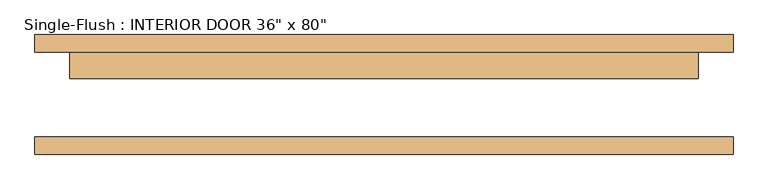
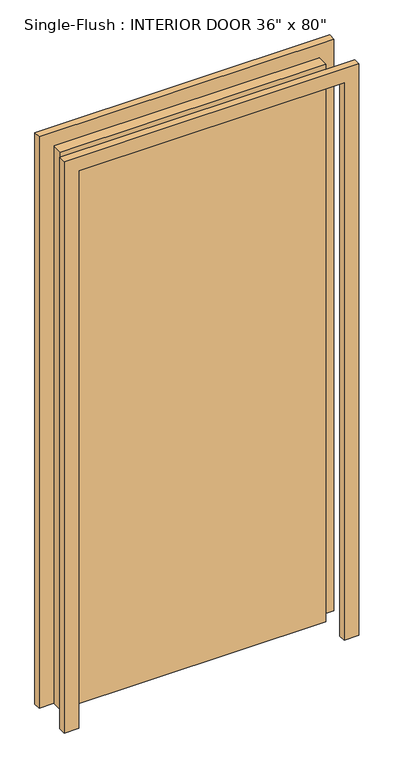
"""IFC4 building model written with IfcOpenShell, lengths in millimetres: door geometry."""

from ifc_helpers import new_model, si_unit, frame, origin, origin_with_axes, place, context, project, spatial, polyline, outline, extrude, source, transform, mapped, element, save


def door_3bb637ce(model_context):
    return source(origin(), model_context, "Body", "SweptSolid", [
        extrude(outline(polyline([(457.2, 23.8125), (-457.2, 23.8125), (-457.2, 61.9125), (457.2, 61.9125), (457.2, 23.8125)])), origin_with_axes(), (0.0, 0.0, 1.0), 2032.0),
        extrude(outline(polyline([(2082.8, -508.0), (0.0, -508.0), (0.0, -457.2), (2032.0, -457.2), (2032.0, 457.2), (0.0, 457.2), (0.0, 508.0), (2082.8, 508.0), (2082.8, -508.0)])), frame((0.0, 61.9125, 0.0), z_axis=(0.0, 1.0, 0.0), x_axis=(0.0, 0.0, 1.0)), (0.0, 0.0, 1.0), 25.4),
        extrude(outline(polyline([(2082.8, 508.0), (2082.8, -508.0), (0.0, -508.0), (0.0, -457.2), (2032.0, -457.2), (2032.0, 457.2), (0.0, 457.2), (0.0, 508.0), (2082.8, 508.0)])), frame((0.0, -87.3125, 0.0), z_axis=(0.0, 1.0, 0.0), x_axis=(0.0, 0.0, 1.0)), (0.0, 0.0, 1.0), 25.4),
    ])


if __name__ == "__main__":
    model = new_model("IFC4")
    model_context = context("Model", 3, world=origin())
    ifc_project = project(units=[si_unit("LENGTHUNIT", "METRE", prefix="MILLI")], contexts=[model_context])
    site = spatial("IfcSite", under=ifc_project)
    building = spatial("IfcBuilding", under=site)
    placement = place(None, origin())
    door_shape = door_3bb637ce(model_context)
    element("IfcDoor", 1, ObjectType="Single-Flush : INTERIOR DOOR 36\" x 80\"", at=placement, inside=building, context=model_context, shape_type="MappedRepresentation", body=[
        mapped(door_shape, transform((0.0, 0.0, 0.0), x_axis=(1.0, 0.0, 0.0), y_axis=(0.0, 1.0, 0.0), z_axis=(0.0, 0.0, 1.0))),
    ])
    save(model, "model.ifc")
